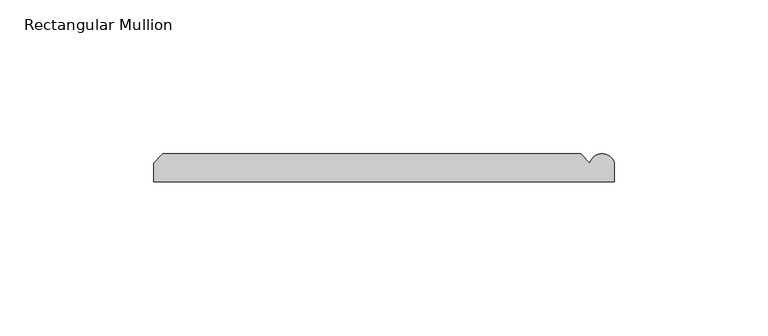
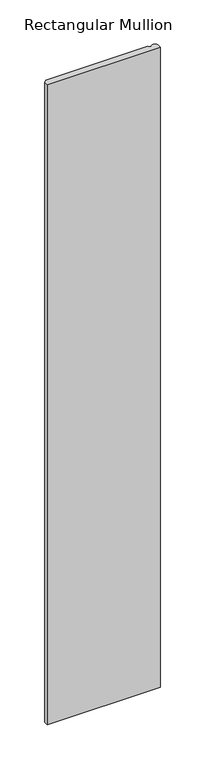
"""IFC4 building model written with IfcOpenShell, lengths in millimetres: member geometry, Rectangular Mullion."""

from ifc_helpers import new_model, si_unit, point, frame, frame_2d, origin, place, context, project, spatial, polyline, circle_curve, trimmed, segment, composite_curve, outline, extrude, source, transform, mapped, element, save


def rectangular_mullion_2cbed42b(model_context):
    return source(origin(), model_context, "Body", "SweptSolid", [
        extrude(outline(composite_curve([segment(polyline([(63.9809918, 9.0), (66.9809918, 6.0)]), True, "CONTINUOUS"), segment(trimmed(circle_curve(frame_2d((70.9809918, 5.0)), 4.1231056), [point((66.9809918, 6.0))], [point((74.9809918, 6.0))], False, "CARTESIAN"), True, "CONTINUOUS"), segment(polyline([(74.9809918, 6.0), (74.9809918, 0.0), (-75.0190082, 0.0), (-75.0190082, 6.00681), (-72.0258182, 9.0), (63.9809918, 9.0)]), True, "CONTINUOUS")], self_intersect=False)), frame((0.0, 0.0, -900.0), z_axis=(0.0, 0.0, 1.0), x_axis=(1.0, 0.0, 0.0)), (0.0, 0.0, 1.0), 900.0),
    ])


if __name__ == "__main__":
    model = new_model("IFC4")
    model_context = context("Model", 3, world=origin())
    ifc_project = project(units=[si_unit("LENGTHUNIT", "METRE", prefix="MILLI")], contexts=[model_context])
    site = spatial("IfcSite", under=ifc_project)
    building = spatial("IfcBuilding", under=site)
    placement = place(None, origin())
    rectangular_mullion_shape = rectangular_mullion_2cbed42b(model_context)
    element("IfcMember", 1, ObjectType="Rectangular Mullion", at=placement, inside=building, context=model_context, shape_type="MappedRepresentation", body=[
        mapped(rectangular_mullion_shape, transform((0.0, 0.0, 0.0), x_axis=(1.0, 0.0, 0.0), y_axis=(0.0, 1.0, 0.0), z_axis=(0.0, 0.0, 1.0))),
    ])
    save(model, "model.ifc")
